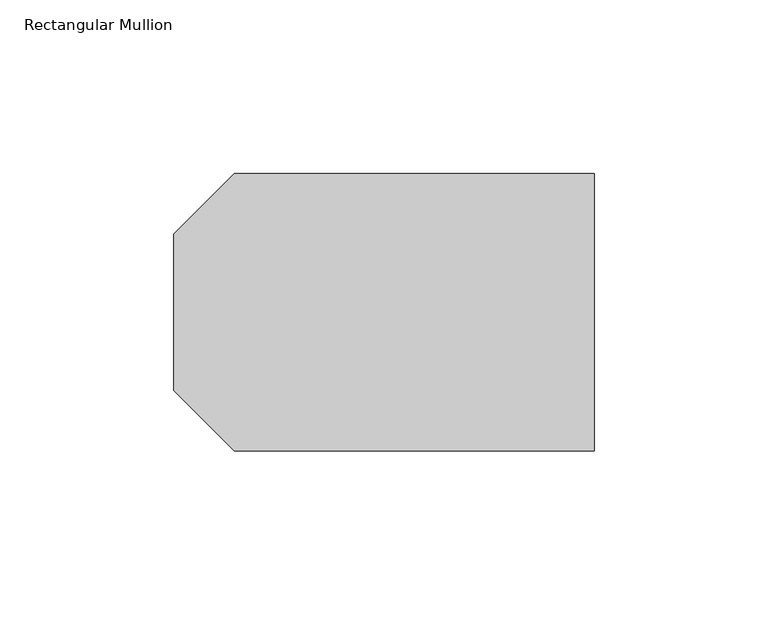
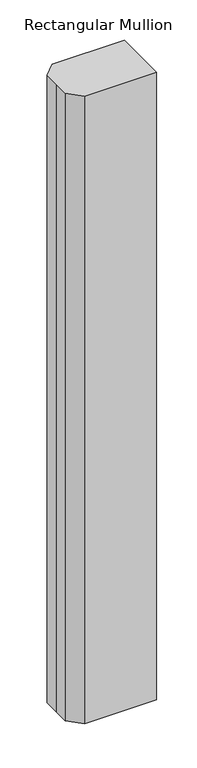
"""IFC4 building model written with IfcOpenShell, lengths in millimetres: member geometry, Rectangular Mullion."""

from ifc_helpers import new_model, si_unit, frame, origin, place, context, project, spatial, polyline, outline, extrude, source, transform, mapped, element, save


def rectangular_mullion_1722b175(model_context):
    return source(origin(), model_context, "Body", "SweptSolid", [
        extrude(outline(polyline([(-121.0, 22.5), (-103.597438, 39.902562), (0.0, 39.902562), (0.0, -39.902562), (-103.597438, -39.902562), (-121.0, -22.5), (-121.0, 0.0), (-121.0, 22.5)])), frame((0.0, 0.0, -949.9999999), z_axis=(0.0, 0.0, 1.0), x_axis=(1.0, 0.0, 0.0)), (0.0, 0.0, 1.0), 949.9999999),
    ])


if __name__ == "__main__":
    model = new_model("IFC4")
    model_context = context("Model", 3, world=origin())
    ifc_project = project(units=[si_unit("LENGTHUNIT", "METRE", prefix="MILLI")], contexts=[model_context])
    site = spatial("IfcSite", under=ifc_project)
    building = spatial("IfcBuilding", under=site)
    placement = place(None, origin())
    rectangular_mullion_shape = rectangular_mullion_1722b175(model_context)
    element("IfcMember", 1, ObjectType="Rectangular Mullion", at=placement, inside=building, context=model_context, shape_type="MappedRepresentation", body=[
        mapped(rectangular_mullion_shape, transform((0.0, 0.0, 0.0), x_axis=(1.0, 0.0, 0.0), y_axis=(0.0, 1.0, 0.0), z_axis=(0.0, 0.0, 1.0))),
    ])
    save(model, "model.ifc")
